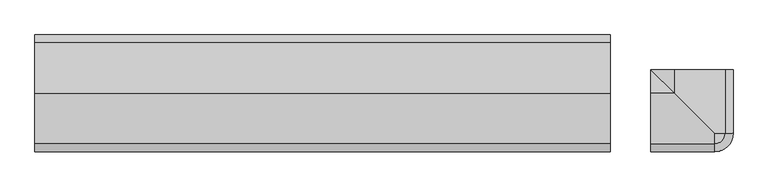
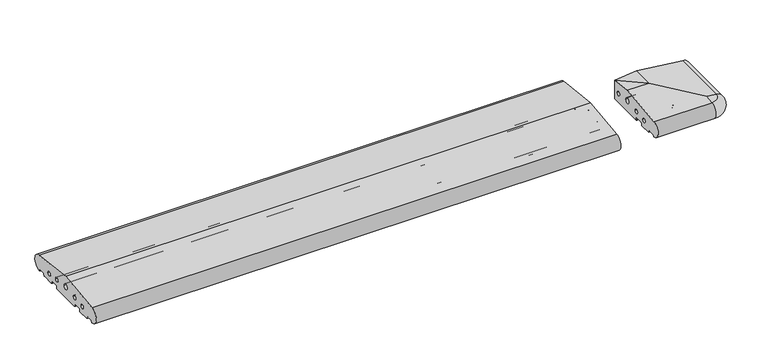
"""IFC4 building model written with IfcOpenShell, lengths in millimetres: proxy geometry."""

from ifc_helpers import new_model, si_unit, point, frame, frame_2d, origin, place, context, project, spatial, polyline, circle_curve, ellipse_curve, trimmed, segment, composite_curve, outline, extrude, source, transform, mapped, element, save
from ifc_brep_helpers import plane_surface, cylinder_surface, revolved_surface, advanced_brep


def generic_models_c52d4614(model_context):
    return source(origin(), model_context, "Body", "SolidModel", [
        advanced_brep(
        [(1687.0, -45.0, 0.0), (1687.0, -45.0, 59.0930149), (1752.0, -45.0, 66.8161089), (1890.0858073, -45.0, 50.4091909), (1888.5981483, -45.0, 2.5074549), (1887.7072001, -45.0, 3.0071443), (1885.6905989, -45.0, 6.5), (1883.9585481, -45.0, 7.5), (1867.4848276, -45.0, 7.5), (1865.7527767, -45.0, 6.5), (1862.0, -45.0, 0.0), (1826.5, -45.0, 0.0), (1825.5, -45.0, 1.0), (1825.5, -45.0, 7.0), (1823.5, -45.0, 9.0), (1800.5, -45.0, 9.0), (1798.5, -45.0, 7.0), (1798.5, -45.0, 1.0), (1797.5, -45.0, 0.0), (1844.220606, -45.0, 23.1932995), (1832.220606, -45.0, 23.1932995), (1804.5, -45.0, 27.912776), (1792.5, -45.0, 27.912776), (1759.9558517, -45.0, 33.3783502), (1744.0441483, -45.0, 33.3783502), (1711.5, -45.0, 27.912776), (1699.5, -45.0, 27.912776), (1797.5, -155.5, 0.0), (1687.0, -155.5, 0.0), (1798.5, -156.5, 1.0), (1798.5, -156.5, 7.0), (1800.5, -158.5, 9.0), (1823.5, -181.5, 9.0), (1687.0, -181.5, 9.0), (1687.0, -158.5, 9.0), (1825.5, -183.5, 7.0), (1825.5, -183.5, 1.0), (1826.5, -184.5, 0.0), (1862.0, -220.0, 0.0), (1687.0, -220.0, 0.0), (1687.0, -184.5, 0.0), (1752.0, -110.0, 66.8161089), (1862.0, -220.0, 53.7462575), (1890.0858073, -220.0, 50.4091909), (1832.220606, -190.220606, 23.1932995), (1838.220606, -196.220606, 17.1932995), (1844.220606, -202.220606, 23.1932995), (1838.220606, -196.220606, 29.1932995), (1792.5, -150.5, 27.912776), (1798.5, -156.5, 21.912776), (1804.5, -162.5, 27.912776), (1798.5, -156.5, 33.912776), (1744.0441483, -102.0441483, 33.3783502), (1752.0, -110.0, 25.4224985), (1759.9558517, -117.9558517, 33.3783502), (1752.0, -110.0, 41.3342019), (1699.5, -57.5, 27.912776), (1705.5, -63.5, 21.912776), (1711.5, -69.5, 27.912776), (1705.5, -63.5, 33.912776), (1687.0, -246.5981483, 2.5074549), (1687.0, -248.0858073, 50.4091909), (1687.0, -110.0, 66.8161089), (1687.0, -156.5, 1.0), (1687.0, -156.5, 7.0), (1687.0, -183.5, 7.0), (1687.0, -183.5, 1.0), (1687.0, -223.7527767, 6.5), (1687.0, -225.4848276, 7.5), (1687.0, -241.9585481, 7.5), (1687.0, -243.6905989, 6.5), (1687.0, -245.7072001, 3.0071443), (1687.0, -202.220606, 23.1932995), (1687.0, -190.220606, 23.1932995), (1687.0, -162.5, 27.912776), (1687.0, -150.5, 27.912776), (1687.0, -117.9558517, 33.3783502), (1687.0, -102.0441483, 33.3783502), (1687.0, -69.5, 27.912776), (1687.0, -57.5, 27.912776), (1888.5981483, -220.0, 2.5074549), (1887.7072001, -220.0, 3.0071443), (1885.6905989, -220.0, 6.5), (1883.9585481, -220.0, 7.5), (1867.4848276, -220.0, 7.5), (1865.7527767, -220.0, 6.5), (1862.0, -223.7527767, 6.5), (1862.0, -225.4848276, 7.5), (1862.0, -243.6905989, 6.5), (1862.0, -241.9585481, 7.5), (1862.0, -245.7072001, 3.0071443), (1862.0, -246.5981483, 2.5074549), (1862.0, -248.0858073, 50.4091909)],
        [
            (0, 1),
            (1, 2),
            (2, 3),
            (3, 4, circle_curve(frame((1888.0, -45.0, 26.5), z_axis=(0.0, 1.0, 0.0), x_axis=(0.08690863944627836, 0.0, 0.9962162859487877)), 24.0)),
            (4, 5, circle_curve(frame((1888.5732255, -45.0, 3.5071443), z_axis=(0.0, 1.0, 0.0), x_axis=(0.024922847684081085, 0.0, -0.999689377588517)), 1.0)),
            (5, 6),
            (6, 7, circle_curve(frame((1883.9585481, -45.0, 5.5), z_axis=(0.0, -1.0, 0.0), x_axis=(0.8660254037844379, 0.0, 0.5000000000000012)), 2.0)),
            (7, 8),
            (8, 9, circle_curve(frame((1867.4848276, -45.0, 5.5), z_axis=(0.0, -1.0, 0.0), x_axis=(0.0, 0.0, 1.0)), 2.0)),
            (9, 10),
            (10, 11),
            (11, 12, circle_curve(frame((1826.5, -45.0, 1.0), z_axis=(0.0, 1.0, 0.0), x_axis=(0.0, 0.0, -1.0)), 1.0)),
            (12, 13),
            (13, 14, circle_curve(frame((1823.5, -45.0, 7.0), z_axis=(0.0, -1.0, 0.0), x_axis=(1.0, 0.0, 0.0)), 2.0)),
            (14, 15),
            (15, 16, circle_curve(frame((1800.5, -45.0, 7.0), z_axis=(0.0, -1.0, 0.0), x_axis=(0.0, 0.0, 1.0)), 2.0)),
            (16, 17),
            (17, 18, circle_curve(frame((1797.5, -45.0, 1.0), z_axis=(0.0, 1.0, 0.0), x_axis=(1.0, 0.0, 0.0)), 1.0)),
            (18, 0),
            (19, 20, circle_curve(frame((1838.220606, -45.0, 23.1932995), z_axis=(0.0, -1.0, 0.0), x_axis=(-1.0, 0.0, 0.0)), 6.0)),
            (20, 19, circle_curve(frame((1838.220606, -45.0, 23.1932995), z_axis=(0.0, -1.0, 0.0), x_axis=(-1.0, 0.0, 0.0)), 6.0)),
            (21, 22, circle_curve(frame((1798.5, -45.0, 27.912776), z_axis=(0.0, -1.0, 0.0), x_axis=(-1.0, 0.0, 0.0)), 6.0)),
            (22, 21, circle_curve(frame((1798.5, -45.0, 27.912776), z_axis=(0.0, -1.0, 0.0), x_axis=(-1.0, 0.0, 0.0)), 6.0)),
            (23, 24, circle_curve(frame((1752.0, -45.0, 33.3783502), z_axis=(0.0, -1.0, 0.0), x_axis=(-1.0, 0.0, 0.0)), 7.9558517)),
            (24, 23, circle_curve(frame((1752.0, -45.0, 33.3783502), z_axis=(0.0, -1.0, 0.0), x_axis=(-1.0, 0.0, 0.0)), 7.9558517)),
            (25, 26, circle_curve(frame((1705.5, -45.0, 27.912776), z_axis=(0.0, -1.0, 0.0), x_axis=(-1.0, 0.0, 0.0)), 6.0)),
            (26, 25, circle_curve(frame((1705.5, -45.0, 27.912776), z_axis=(0.0, -1.0, 0.0), x_axis=(-1.0, 0.0, 0.0)), 6.0)),
            (18, 27),
            (27, 28),
            (28, 0),
            (17, 29),
            (29, 27, ellipse_curve(frame((1797.5, -155.5, 1.0), z_axis=(0.7071067811865446, 0.7071067811865505, 0.0), x_axis=(-0.7071067811865503, 0.7071067811865446, 0.0)), 1.4142136, 1.0)),
            (16, 30),
            (30, 29),
            (15, 31),
            (31, 30, ellipse_curve(frame((1800.5, -158.5, 7.0), z_axis=(-0.7071067811865446, -0.7071067811865505, 0.0), x_axis=(0.7071067811865503, -0.7071067811865446, 0.0)), 2.8284271, 2.0)),
            (14, 32),
            (32, 33),
            (33, 34),
            (34, 31),
            (13, 35),
            (35, 32, ellipse_curve(frame((1823.5, -181.5, 7.0), z_axis=(-0.7071067811865446, -0.7071067811865505, 0.0), x_axis=(0.7071067811865503, -0.7071067811865446, 0.0)), 2.8284271, 2.0)),
            (12, 36),
            (36, 35),
            (11, 37),
            (37, 36, ellipse_curve(frame((1826.5, -184.5, 1.0), z_axis=(0.7071067811865446, 0.7071067811865505, 0.0), x_axis=(-0.7071067811865503, 0.7071067811865446, 0.0)), 1.4142136, 1.0)),
            (10, 38),
            (38, 39),
            (39, 40),
            (40, 37),
            (41, 42),
            (42, 43),
            (43, 3),
            (2, 41),
            (1, 41),
            (20, 44),
            (44, 45, ellipse_curve(frame((1838.220606, -196.220606, 23.1932995), z_axis=(-0.7071067811865446, -0.7071067811865505, 0.0), x_axis=(0.7071067811865503, -0.7071067811865446, 0.0)), 8.4852814, 6.0)),
            (45, 46, ellipse_curve(frame((1838.220606, -196.220606, 23.1932995), z_axis=(-0.7071067811865446, -0.7071067811865505, 0.0), x_axis=(0.7071067811865503, -0.7071067811865446, 0.0)), 8.4852814, 6.0)),
            (46, 19),
            (46, 47, ellipse_curve(frame((1838.220606, -196.220606, 23.1932995), z_axis=(-0.7071067811865446, -0.7071067811865505, 0.0), x_axis=(0.7071067811865503, -0.7071067811865446, 0.0)), 8.4852814, 6.0)),
            (47, 44, ellipse_curve(frame((1838.220606, -196.220606, 23.1932995), z_axis=(-0.7071067811865446, -0.7071067811865505, 0.0), x_axis=(0.7071067811865503, -0.7071067811865446, 0.0)), 8.4852814, 6.0)),
            (22, 48),
            (48, 49, ellipse_curve(frame((1798.5, -156.5, 27.912776), z_axis=(-0.7071067811865446, -0.7071067811865505, 0.0), x_axis=(0.7071067811865503, -0.7071067811865446, 0.0)), 8.4852814, 6.0)),
            (49, 50, ellipse_curve(frame((1798.5, -156.5, 27.912776), z_axis=(-0.7071067811865446, -0.7071067811865505, 0.0), x_axis=(0.7071067811865503, -0.7071067811865446, 0.0)), 8.4852814, 6.0)),
            (50, 21),
            (50, 51, ellipse_curve(frame((1798.5, -156.5, 27.912776), z_axis=(-0.7071067811865446, -0.7071067811865505, 0.0), x_axis=(0.7071067811865503, -0.7071067811865446, 0.0)), 8.4852814, 6.0)),
            (51, 48, ellipse_curve(frame((1798.5, -156.5, 27.912776), z_axis=(-0.7071067811865446, -0.7071067811865505, 0.0), x_axis=(0.7071067811865503, -0.7071067811865446, 0.0)), 8.4852814, 6.0)),
            (24, 52),
            (52, 53, ellipse_curve(frame((1752.0, -110.0, 33.3783502), z_axis=(-0.7071067811865446, -0.7071067811865505, 0.0), x_axis=(0.7071067811865503, -0.7071067811865446, 0.0)), 11.2512734, 7.9558517)),
            (53, 54, ellipse_curve(frame((1752.0, -110.0, 33.3783502), z_axis=(-0.7071067811865446, -0.7071067811865505, 0.0), x_axis=(0.7071067811865503, -0.7071067811865446, 0.0)), 11.2512734, 7.9558517)),
            (54, 23),
            (54, 55, ellipse_curve(frame((1752.0, -110.0, 33.3783502), z_axis=(-0.7071067811865446, -0.7071067811865505, 0.0), x_axis=(0.7071067811865503, -0.7071067811865446, 0.0)), 11.2512734, 7.9558517)),
            (55, 52, ellipse_curve(frame((1752.0, -110.0, 33.3783502), z_axis=(-0.7071067811865446, -0.7071067811865505, 0.0), x_axis=(0.7071067811865503, -0.7071067811865446, 0.0)), 11.2512734, 7.9558517)),
            (26, 56),
            (56, 57, ellipse_curve(frame((1705.5, -63.5, 27.912776), z_axis=(-0.7071067811865446, -0.7071067811865505, 0.0), x_axis=(0.7071067811865503, -0.7071067811865446, 0.0)), 8.4852814, 6.0)),
            (57, 58, ellipse_curve(frame((1705.5, -63.5, 27.912776), z_axis=(-0.7071067811865446, -0.7071067811865505, 0.0), x_axis=(0.7071067811865503, -0.7071067811865446, 0.0)), 8.4852814, 6.0)),
            (58, 25),
            (58, 59, ellipse_curve(frame((1705.5, -63.5, 27.912776), z_axis=(-0.7071067811865446, -0.7071067811865505, 0.0), x_axis=(0.7071067811865503, -0.7071067811865446, 0.0)), 8.4852814, 6.0)),
            (59, 56, ellipse_curve(frame((1705.5, -63.5, 27.912776), z_axis=(-0.7071067811865446, -0.7071067811865505, 0.0), x_axis=(0.7071067811865503, -0.7071067811865446, 0.0)), 8.4852814, 6.0)),
            (60, 61, circle_curve(frame((1687.0, -246.0, 26.5), z_axis=(-1.0, 0.0, 0.0), x_axis=(0.0, -0.08690863944627836, 0.9962162859487877)), 24.0)),
            (61, 62),
            (62, 1),
            (28, 63, circle_curve(frame((1687.0, -155.5, 1.0), z_axis=(-1.0, 0.0, 0.0), x_axis=(0.0, -1.0, 0.0)), 1.0)),
            (63, 64),
            (64, 34, circle_curve(frame((1687.0, -158.5, 7.0), z_axis=(1.0, 0.0, 0.0), x_axis=(0.0, 0.0, 1.0)), 2.0)),
            (33, 65, circle_curve(frame((1687.0, -181.5, 7.0), z_axis=(1.0, 0.0, 0.0), x_axis=(0.0, -1.0, 0.0)), 2.0)),
            (65, 66),
            (66, 40, circle_curve(frame((1687.0, -184.5, 1.0), z_axis=(-1.0, 0.0, 0.0), x_axis=(0.0, 0.0, -1.0)), 1.0)),
            (39, 67),
            (67, 68, circle_curve(frame((1687.0, -225.4848276, 5.5), z_axis=(1.0, 0.0, 0.0), x_axis=(0.0, 0.0, 1.0)), 2.0)),
            (68, 69),
            (69, 70, circle_curve(frame((1687.0, -241.9585481, 5.5), z_axis=(1.0, 0.0, 0.0), x_axis=(0.0, -0.8660254037844379, 0.5000000000000012)), 2.0)),
            (70, 71),
            (71, 60, circle_curve(frame((1687.0, -246.5732255, 3.5071443), z_axis=(-1.0, 0.0, 0.0), x_axis=(0.0, -0.024922847684081085, -0.999689377588517)), 1.0)),
            (72, 73, circle_curve(frame((1687.0, -196.220606, 23.1932995), z_axis=(1.0, 0.0, 0.0), x_axis=(0.0, 1.0, 0.0)), 6.0)),
            (73, 72, circle_curve(frame((1687.0, -196.220606, 23.1932995), z_axis=(1.0, 0.0, 0.0), x_axis=(0.0, 1.0, 0.0)), 6.0)),
            (74, 75, circle_curve(frame((1687.0, -156.5, 27.912776), z_axis=(1.0, 0.0, 0.0), x_axis=(0.0, 1.0, 0.0)), 6.0)),
            (75, 74, circle_curve(frame((1687.0, -156.5, 27.912776), z_axis=(1.0, 0.0, 0.0), x_axis=(0.0, 1.0, 0.0)), 6.0)),
            (76, 77, circle_curve(frame((1687.0, -110.0, 33.3783502), z_axis=(1.0, 0.0, 0.0), x_axis=(0.0, 1.0, 0.0)), 7.9558517)),
            (77, 76, circle_curve(frame((1687.0, -110.0, 33.3783502), z_axis=(1.0, 0.0, 0.0), x_axis=(0.0, 1.0, 0.0)), 7.9558517)),
            (78, 79, circle_curve(frame((1687.0, -63.5, 27.912776), z_axis=(1.0, 0.0, 0.0), x_axis=(0.0, 1.0, 0.0)), 6.0)),
            (79, 78, circle_curve(frame((1687.0, -63.5, 27.912776), z_axis=(1.0, 0.0, 0.0), x_axis=(0.0, 1.0, 0.0)), 6.0)),
            (4, 80),
            (80, 81, circle_curve(frame((1888.5732255, -220.0, 3.5071443), z_axis=(0.0, 1.0, 0.0), x_axis=(0.024922847684081085, 0.0, -0.999689377588517)), 1.0)),
            (81, 5),
            (81, 82),
            (82, 6),
            (82, 83, circle_curve(frame((1883.9585481, -220.0, 5.5), z_axis=(0.0, -1.0, 0.0), x_axis=(0.8660254037844379, 0.0, 0.5000000000000012)), 2.0)),
            (83, 7),
            (8, 84),
            (84, 85, circle_curve(frame((1867.4848276, -220.0, 5.5), z_axis=(0.0, -1.0, 0.0), x_axis=(0.0, 0.0, 1.0)), 2.0)),
            (85, 9),
            (85, 38),
            (43, 80, circle_curve(frame((1888.0, -220.0, 26.5), z_axis=(0.0, 1.0, 0.0), x_axis=(0.08690863944627836, 0.0, 0.9962162859487877)), 24.0)),
            (86, 38),
            (85, 86, circle_curve(frame((1862.0, -220.0, 6.5), z_axis=(0.0, 0.0, -1.0), x_axis=(0.0, -1.0, 0.0)), 3.7527767)),
            (84, 87, circle_curve(frame((1862.0, -220.0, 7.5), z_axis=(0.0, 0.0, -1.0), x_axis=(0.0, -1.0, 0.0)), 5.4848276)),
            (87, 86, circle_curve(frame((1862.0, -225.4848276, 5.5), z_axis=(-1.0, 0.0, 0.0), x_axis=(0.0, 0.0, 1.0)), 2.0)),
            (82, 88, circle_curve(frame((1862.0, -220.0, 6.5), z_axis=(0.0, 0.0, -1.0), x_axis=(0.0, -1.0, 0.0)), 23.6905989)),
            (88, 89, circle_curve(frame((1862.0, -241.9585481, 5.5), z_axis=(-1.0, 0.0, 0.0), x_axis=(0.0, -0.8660254037844379, 0.5000000000000012)), 2.0)),
            (89, 83, circle_curve(frame((1862.0, -220.0, 7.5), z_axis=(0.0, 0.0, 1.0), x_axis=(0.0, -1.0, 0.0)), 21.9585481)),
            (81, 90, circle_curve(frame((1862.0, -220.0, 3.0071443), z_axis=(0.0, 0.0, -1.0), x_axis=(0.0, -1.0, 0.0)), 25.7072001)),
            (90, 88),
            (80, 91, circle_curve(frame((1862.0, -220.0, 2.5074549), z_axis=(0.0, 0.0, -1.0), x_axis=(0.0, -1.0, 0.0)), 26.5981483)),
            (91, 90, circle_curve(frame((1862.0, -246.5732255, 3.5071443), z_axis=(1.0000000000000002, 0.0, 0.0), x_axis=(0.0, -0.024922847684081085, -0.999689377588517)), 1.0)),
            (43, 92, circle_curve(frame((1862.0, -220.0, 50.4091909), z_axis=(0.0, 0.0, -1.0), x_axis=(0.0, -1.0, 0.0)), 28.0858073)),
            (92, 91, circle_curve(frame((1862.0, -246.0, 26.5), z_axis=(1.0, 0.0, 0.0), x_axis=(0.0, -0.08690863944627836, 0.9962162859487877)), 24.0)),
            (42, 92),
            (71, 90),
            (91, 60),
            (70, 88),
            (69, 89),
            (68, 87),
            (67, 86),
            (41, 62),
            (61, 92),
            (29, 63),
            (30, 64),
            (35, 65),
            (36, 66),
            (72, 46),
            (44, 73),
            (74, 50),
            (48, 75),
            (76, 54),
            (52, 77),
            (78, 58),
            (56, 79),
        ],
        [
            plane_surface(frame((1642.0, -45.0, 0.0), z_axis=(0.0, 1.0, 0.0), x_axis=(0.0, 0.0, 1.0))),
            plane_surface(frame((1687.0, -45.0, 0.0), z_axis=(0.0, 0.0, -1.0), x_axis=(0.0, -1.0, 0.0))),
            cylinder_surface(frame((1797.5, -45.0, 1.0), z_axis=(0.0, 1.0, 0.0), x_axis=(1.0, 0.0, 0.0)), 1.0),
            plane_surface(frame((1798.5, -45.0, 1.0), z_axis=(1.0, 0.0, 0.0), x_axis=(0.0, -1.0, 0.0))),
            revolved_surface(polyline([(1800.5, -160.49999998250178, 9.0), (1800.5, -45.0, 9.0)]), (1800.5, -45.0, 7.0), (0.0, -1.0, 0.0)),
            plane_surface(frame((1800.5, -45.0, 9.0), z_axis=(0.0, 0.0, -1.0), x_axis=(0.0, -1.0, 0.0))),
            revolved_surface(polyline([(1825.5, -183.5, 7.0), (1825.5, -45.0, 7.0)]), (1823.5, -45.0, 7.0), (0.0, -1.0, 0.0)),
            plane_surface(frame((1825.5, -45.0, 7.0), z_axis=(-1.0, 0.0, 0.0), x_axis=(0.0, -1.0, 0.0))),
            cylinder_surface(frame((1826.5, -45.0, 1.0), z_axis=(0.0, 1.0, 0.0), x_axis=(0.0, 0.0, -1.0)), 1.0),
            plane_surface(frame((1826.5, -45.0, 0.0), z_axis=(0.0, 0.0, -1.0), x_axis=(0.0, -1.0, 0.0))),
            plane_surface(frame((1862.0, -45.0, 53.7462575), z_axis=(0.11798691299107526, 0.0, 0.9930151501174777), x_axis=(0.0, -1.0, 0.0))),
            plane_surface(frame((1752.0, -45.0, 66.8161089), z_axis=(-0.11798691299107526, 0.0, 0.9930151501174777), x_axis=(0.0, -1.0, 0.0))),
            revolved_surface(polyline([(1832.220606, -202.22060601821607, 23.1932995), (1832.220606, -45.0, 23.1932995)]), (1838.220606, -45.0, 23.1932995), (0.0, -1.0, 0.0)),
            revolved_surface(polyline([(1792.5, -162.50000001821604, 27.912776), (1792.5, -45.0, 27.912776)]), (1798.5, -45.0, 27.912776), (0.0, -1.0, 0.0)),
            revolved_surface(polyline([(1744.0441483, -117.9558517181238, 33.3783502), (1744.0441483, -45.0, 33.3783502)]), (1752.0, -45.0, 33.3783502), (0.0, -1.0, 0.0)),
            revolved_surface(polyline([(1699.5, -69.50000001821606, 27.912776), (1699.5, -45.0, 27.912776)]), (1705.5, -45.0, 27.912776), (0.0, -1.0, 0.0)),
            plane_surface(frame((1687.0, -45.0, 59.0930149), z_axis=(-1.0, 0.0, 0.0), x_axis=(0.0, -1.0, 0.0))),
            cylinder_surface(frame((1888.5732255, -45.0, 3.5071443), z_axis=(0.0, 1.0000000000000002, 0.0), x_axis=(0.024922847684081085, 0.0, -0.999689377588517)), 1.0),
            plane_surface(frame((1885.6905989, -45.0, 6.5), z_axis=(-0.8660254037844368, 0.0, -0.5000000000000032), x_axis=(0.0, -1.0, 0.0))),
            revolved_surface(polyline([(1885.6905989075688, -220.0, 6.500000000000003), (1885.6905989075688, -45.0, 6.500000000000003)]), (1883.9585481, -45.0, 5.5), (0.0, -1.0, 0.0)),
            revolved_surface(polyline([(1867.4848276, -220.0, 7.5), (1867.4848276, -45.0, 7.5)]), (1867.4848276, -45.0, 5.5), (0.0, -1.0, 0.0)),
            plane_surface(frame((1862.0, -45.0, 0.0), z_axis=(0.8660254037844349, 0.0, -0.5000000000000064), x_axis=(0.0, -1.0, 0.0))),
            cylinder_surface(frame((1888.0, -45.0, 26.5), z_axis=(0.0, 1.0, 0.0), x_axis=(0.08690863944627836, 0.0, 0.9962162859487877)), 24.0),
            revolved_surface(polyline([(1862.0, -220.0, 0.0), (1862.0, -223.7527767, 6.5)]), (1862.0, -220.0, 12.5), (0.0, 0.0, 1.0)),
            revolved_surface(trimmed(ellipse_curve(frame((1862.0, -225.4848276, 5.5), z_axis=(1.0, 0.0, 0.0), x_axis=(0.0, 0.0, 1.0)), 2.0, 2.0), [point((1862.0, -223.7527767, 6.5))], [point((1862.0, -225.4848276, 7.5))], True, "CARTESIAN"), (1862.0, -220.0, 12.5), (0.0, 0.0, 1.0)),
            revolved_surface(trimmed(ellipse_curve(frame((1862.0, -241.9585481, 5.5), z_axis=(1.0, 0.0, 0.0), x_axis=(0.0, -0.8660254037844379, 0.5000000000000012)), 2.0, 2.0), [point((1862.0, -241.9585481, 7.5))], [point((1862.0, -243.6905989, 6.5))], True, "CARTESIAN"), (1862.0, -220.0, 12.5), (0.0, 0.0, 1.0)),
            revolved_surface(polyline([(1862.0, -243.6905989, 6.5), (1862.0, -245.7072001, 3.0071443)]), (1862.0, -220.0, 12.5), (0.0, 0.0, 1.0)),
            revolved_surface(trimmed(ellipse_curve(frame((1862.0, -246.5732255, 3.5071443), z_axis=(-1.0000000000000002, 0.0, 0.0), x_axis=(0.0, -0.024922847684081085, -0.999689377588517)), 1.0, 1.0), [point((1862.0, -245.7072001, 3.0071443))], [point((1862.0, -246.5981483, 2.5074549))], True, "CARTESIAN"), (1862.0, -220.0, 12.5), (0.0, 0.0, 1.0)),
            revolved_surface(trimmed(ellipse_curve(frame((1862.0, -246.0, 26.5), z_axis=(-1.0, 0.0, 0.0), x_axis=(0.0, -0.08690863944627836, 0.9962162859487877)), 24.0, 24.0), [point((1862.0, -246.5981483, 2.5074549))], [point((1862.0, -248.0858073, 50.4091909))], True, "CARTESIAN"), (1862.0, -220.0, 12.5), (0.0, 0.0, 1.0)),
            revolved_surface(polyline([(1862.0, -248.0858073, 50.4091909), (1862.0, -220.0, 53.7462575)]), (1862.0, -220.0, 12.5), (0.0, 0.0, 1.0)),
            cylinder_surface(frame((1687.0, -246.5732255, 3.5071443), z_axis=(-1.0000000000000002, 0.0, 0.0), x_axis=(0.0, -0.024922847684081085, -0.999689377588517)), 1.0),
            plane_surface(frame((1687.0, -245.7072001, 3.0071443), z_axis=(0.0, 0.8660254037844368, -0.5000000000000032), x_axis=(1.0, 0.0, 0.0))),
            revolved_surface(polyline([(1862.0, -243.69059890756887, 6.500000000000003), (1687.0, -243.69059890756887, 6.500000000000003)]), (1687.0, -241.9585481, 5.5), (1.0, 0.0, 0.0)),
            plane_surface(frame((1687.0, -241.9585481, 7.5), z_axis=(0.0, 0.0, -1.0), x_axis=(1.0, 0.0, 0.0))),
            revolved_surface(polyline([(1862.0, -225.4848276, 7.5), (1687.0, -225.4848276, 7.5)]), (1687.0, -225.4848276, 5.5), (1.0, 0.0, 0.0)),
            plane_surface(frame((1687.0, -223.7527767, 6.5), z_axis=(0.0, -0.8660254037844349, -0.5000000000000064), x_axis=(1.0, 0.0, 0.0))),
            plane_surface(frame((1687.0, -220.0, 53.7462575), z_axis=(0.0, -0.11798691299107526, 0.9930151501174777), x_axis=(1.0, 0.0, 0.0))),
            cylinder_surface(frame((1687.0, -246.0, 26.5), z_axis=(-1.0, 0.0, 0.0), x_axis=(0.0, -0.08690863944627836, 0.9962162859487877)), 24.0),
            cylinder_surface(frame((1862.0, -155.5, 1.0), z_axis=(1.0, 0.0, 0.0), x_axis=(0.0, -1.0, 0.0)), 1.0),
            plane_surface(frame((1862.0, -156.5, 1.0), z_axis=(0.0, -1.0, 0.0), x_axis=(-1.0, 0.0, 0.0))),
            revolved_surface(polyline([(1687.0, -158.5, 9.0), (1802.4999999825018, -158.5, 9.0)]), (1862.0, -158.5, 7.0), (-1.0, 0.0, 0.0)),
            revolved_surface(polyline([(1687.0, -183.5, 7.0), (1825.5, -183.5, 7.0)]), (1862.0, -181.5, 7.0), (-1.0, 0.0, 0.0)),
            plane_surface(frame((1862.0, -183.5, 7.0), z_axis=(0.0, 1.0, 0.0), x_axis=(-1.0, 0.0, 0.0))),
            cylinder_surface(frame((1862.0, -184.5, 1.0), z_axis=(1.0, 0.0, 0.0), x_axis=(0.0, 0.0, -1.0)), 1.0),
            plane_surface(frame((1862.0, -110.0, 66.8161089), z_axis=(0.0, 0.11798691299107526, 0.9930151501174777), x_axis=(-1.0, 0.0, 0.0))),
            revolved_surface(polyline([(1687.0, -190.220606, 23.1932995), (1844.2206060182161, -190.220606, 23.1932995)]), (1862.0, -196.220606, 23.1932995), (-1.0, 0.0, 0.0)),
            revolved_surface(polyline([(1687.0, -150.5, 27.912776), (1804.500000018216, -150.5, 27.912776)]), (1862.0, -156.5, 27.912776), (-1.0, 0.0, 0.0)),
            revolved_surface(polyline([(1687.0, -102.0441483, 33.3783502), (1759.9558517181238, -102.0441483, 33.3783502)]), (1862.0, -110.0, 33.3783502), (-1.0, 0.0, 0.0)),
            revolved_surface(polyline([(1687.0, -57.5, 27.912776), (1711.500000018216, -57.5, 27.912776)]), (1862.0, -63.5, 27.912776), (-1.0, 0.0, 0.0)),
        ],
        [
            (0, [[1, 2, 3, 4, 5, 6, 7, 8, 9, 10, 11, 12, 13, 14, 15, 16, 17, 18, 19], [20, 21], [22, 23], [24, 25], [26, 27]]),
            (1, [[28, 29, 30, -19]]),
            (2, [[31, 32, -28, -18]]),
            (3, [[33, 34, -31, -17]]),
            (4, [[35, 36, -33, -16]]),
            (5, [[37, 38, 39, 40, -35, -15]]),
            (6, [[41, 42, -37, -14]]),
            (7, [[43, 44, -41, -13]]),
            (8, [[45, 46, -43, -12]]),
            (9, [[47, 48, 49, 50, -45, -11]]),
            (10, [[51, 52, 53, -3, 54]]),
            (11, [[55, -54, -2]]),
            (12, [[56, 57, 58, 59, -21]]),
            (12, [[-59, 60, 61, -56, -20]]),
            (13, [[62, 63, 64, 65, -23]]),
            (13, [[-65, 66, 67, -62, -22]]),
            (14, [[68, 69, 70, 71, -25]]),
            (14, [[-71, 72, 73, -68, -24]]),
            (15, [[74, 75, 76, 77, -27]]),
            (15, [[-77, 78, 79, -74, -26]]),
            (16, [[80, 81, 82, -1, -30, 83, 84, 85, -39, 86, 87, 88, -49, 89, 90, 91, 92, 93, 94], [95, 96], [97, 98], [99, 100], [101, 102]]),
            (17, [[103, 104, 105, -5]]),
            (18, [[-105, 106, 107, -6]]),
            (19, [[-107, 108, 109, -7]]),
            (20, [[110, 111, 112, -9]]),
            (21, [[-112, 113, -47, -10]]),
            (22, [[-53, 114, -103, -4]]),
            (23, [[115, -113, 116]]),
            (24, [[-111, 117, 118, -116]]),
            (25, [[-108, 119, 120, 121]]),
            (26, [[-106, 122, 123, -119]]),
            (27, [[-104, 124, 125, -122]]),
            (28, [[-114, 126, 127, -124]]),
            (29, [[-52, 128, -126]]),
            (30, [[129, -125, 130, -94]]),
            (31, [[131, -123, -129, -93]]),
            (32, [[132, -120, -131, -92]]),
            (33, [[133, -117, -110, -8, -109, -121, -132, -91]]),
            (34, [[134, -118, -133, -90]]),
            (35, [[-48, -115, -134, -89]]),
            (36, [[-128, -51, 135, -81, 136]]),
            (37, [[-130, -127, -136, -80]]),
            (38, [[-29, -32, 137, -83]]),
            (39, [[-137, -34, 138, -84]]),
            (40, [[-138, -36, -40, -85]]),
            (41, [[-38, -42, 139, -86]]),
            (42, [[-139, -44, 140, -87]]),
            (43, [[-140, -46, -50, -88]]),
            (44, [[-135, -55, -82]]),
            (45, [[141, -58, -57, 142, -95]]),
            (45, [[-142, -61, -60, -141, -96]]),
            (46, [[143, -64, -63, 144, -97]]),
            (46, [[-144, -67, -66, -143, -98]]),
            (47, [[145, -70, -69, 146, -99]]),
            (47, [[-146, -73, -72, -145, -100]]),
            (48, [[147, -76, -75, 148, -101]]),
            (48, [[-148, -79, -78, -147, -102]]),
        ],
    ),
        extrude(outline(composite_curve([segment(trimmed(circle_curve(frame_2d((26.5732255, 3.5071443)), 1.0), [point((26.5981483, 2.5074549))], [point((25.7072001, 3.0071443))], False, "CARTESIAN"), True, "CONTINUOUS"), segment(polyline([(25.7072001, 3.0071443), (23.6905989, 6.5)]), True, "CONTINUOUS"), segment(trimmed(circle_curve(frame_2d((21.9585481, 5.5)), 2.0), [point((23.6905989, 6.5))], [point((21.9585481, 7.5))], True, "CARTESIAN"), True, "CONTINUOUS"), segment(polyline([(21.9585481, 7.5), (5.4848276, 7.5)]), True, "CONTINUOUS"), segment(trimmed(circle_curve(frame_2d((5.4848276, 5.5)), 2.0), [point((5.4848276, 7.5))], [point((3.7527767, 6.5))], True, "CARTESIAN"), True, "CONTINUOUS"), segment(polyline([(3.7527767, 6.5), (0.2886751, 0.5)]), True, "CONTINUOUS"), segment(trimmed(circle_curve(frame_2d((-0.5773503, 1.0)), 1.0), [point((0.2886751, 0.5))], [point((-0.5773503, 0.0))], False, "CARTESIAN"), True, "CONTINUOUS"), segment(polyline([(-0.5773503, 0.0), (-35.5, 0.0)]), True, "CONTINUOUS"), segment(trimmed(circle_curve(frame_2d((-35.5, 1.0)), 1.0), [point((-35.5, 0.0))], [point((-36.5, 1.0))], False, "CARTESIAN"), True, "CONTINUOUS"), segment(polyline([(-36.5, 1.0), (-36.5, 7.0)]), True, "CONTINUOUS"), segment(trimmed(circle_curve(frame_2d((-38.5, 7.0)), 2.0), [point((-36.5, 7.0))], [point((-38.5, 9.0))], True, "CARTESIAN"), True, "CONTINUOUS"), segment(polyline([(-38.5, 9.0), (-61.5, 9.0)]), True, "CONTINUOUS"), segment(trimmed(circle_curve(frame_2d((-61.5, 7.0)), 2.0), [point((-61.5, 9.0))], [point((-63.5, 7.0))], True, "CARTESIAN"), True, "CONTINUOUS"), segment(polyline([(-63.5, 7.0), (-63.5, 1.0)]), True, "CONTINUOUS"), segment(trimmed(circle_curve(frame_2d((-64.5, 1.0)), 1.0), [point((-63.5, 1.0))], [point((-64.5, 0.0))], False, "CARTESIAN"), True, "CONTINUOUS"), segment(polyline([(-64.5, 0.0), (-155.5, 0.0)]), True, "CONTINUOUS"), segment(trimmed(circle_curve(frame_2d((-155.5, 1.0)), 1.0), [point((-155.5, 0.0))], [point((-156.5, 1.0))], False, "CARTESIAN"), True, "CONTINUOUS"), segment(polyline([(-156.5, 1.0), (-156.5, 7.0)]), True, "CONTINUOUS"), segment(trimmed(circle_curve(frame_2d((-158.5, 7.0)), 2.0), [point((-156.5, 7.0))], [point((-158.5, 9.0))], True, "CARTESIAN"), True, "CONTINUOUS"), segment(polyline([(-158.5, 9.0), (-181.5, 9.0)]), True, "CONTINUOUS"), segment(trimmed(circle_curve(frame_2d((-181.5, 7.0)), 2.0), [point((-181.5, 9.0))], [point((-183.5, 7.0))], True, "CARTESIAN"), True, "CONTINUOUS"), segment(polyline([(-183.5, 7.0), (-183.5, 1.0)]), True, "CONTINUOUS"), segment(trimmed(circle_curve(frame_2d((-184.5, 1.0)), 1.0), [point((-183.5, 1.0))], [point((-184.5, 0.0))], False, "CARTESIAN"), True, "CONTINUOUS"), segment(polyline([(-184.5, 0.0), (-219.4226497, 0.0)]), True, "CONTINUOUS"), segment(trimmed(circle_curve(frame_2d((-219.4226497, 1.0)), 1.0), [point((-219.4226497, 0.0))], [point((-220.2886751, 0.5))], False, "CARTESIAN"), True, "CONTINUOUS"), segment(polyline([(-220.2886751, 0.5), (-223.7527767, 6.5)]), True, "CONTINUOUS"), segment(trimmed(circle_curve(frame_2d((-225.4848276, 5.5)), 2.0), [point((-223.7527767, 6.5))], [point((-225.4848276, 7.5))], True, "CARTESIAN"), True, "CONTINUOUS"), segment(polyline([(-225.4848276, 7.5), (-241.9585481, 7.5)]), True, "CONTINUOUS"), segment(trimmed(circle_curve(frame_2d((-241.9585481, 5.5)), 2.0), [point((-241.9585481, 7.5))], [point((-243.6905989, 6.5))], True, "CARTESIAN"), True, "CONTINUOUS"), segment(polyline([(-243.6905989, 6.5), (-245.7072001, 3.0071443)]), True, "CONTINUOUS"), segment(trimmed(circle_curve(frame_2d((-246.5732255, 3.5071443)), 1.0), [point((-245.7072001, 3.0071443))], [point((-246.5981483, 2.5074549))], False, "CARTESIAN"), True, "CONTINUOUS"), segment(trimmed(circle_curve(frame_2d((-246.0, 26.5)), 24.0), [point((-246.5981483, 2.5074549))], [point((-248.0858073, 50.4091909))], False, "CARTESIAN"), True, "CONTINUOUS"), segment(polyline([(-248.0858073, 50.4091909), (-110.0, 66.8161089), (28.0858073, 50.4091909)]), True, "CONTINUOUS"), segment(trimmed(circle_curve(frame_2d((26.0, 26.5)), 24.0), [point((28.0858073, 50.4091909))], [point((26.5981483, 2.5074549))], False, "CARTESIAN"), True, "CONTINUOUS")], self_intersect=False), holes=[composite_curve([segment(trimmed(circle_curve(frame_2d((-196.220606, 23.1932995)), 6.0), [point((-202.220606, 23.1932995))], [point((-190.220606, 23.1932995))], True, "CARTESIAN"), True, "CONTINUOUS"), segment(trimmed(circle_curve(frame_2d((-196.220606, 23.1932995)), 6.0), [point((-190.220606, 23.1932995))], [point((-202.220606, 23.1932995))], True, "CARTESIAN"), True, "CONTINUOUS")], self_intersect=False), composite_curve([segment(trimmed(circle_curve(frame_2d((-110.0, 33.3783502)), 7.9558517), [point((-117.9558517, 33.3783502))], [point((-102.0441483, 33.3783502))], True, "CARTESIAN"), True, "CONTINUOUS"), segment(trimmed(circle_curve(frame_2d((-110.0, 33.3783502)), 7.9558517), [point((-102.0441483, 33.3783502))], [point((-117.9558517, 33.3783502))], True, "CARTESIAN"), True, "CONTINUOUS")], self_intersect=False), composite_curve([segment(trimmed(circle_curve(frame_2d((-63.5, 27.912776)), 6.0), [point((-69.5, 27.912776))], [point((-57.5, 27.912776))], True, "CARTESIAN"), True, "CONTINUOUS"), segment(trimmed(circle_curve(frame_2d((-63.5, 27.912776)), 6.0), [point((-57.5, 27.912776))], [point((-69.5, 27.912776))], True, "CARTESIAN"), True, "CONTINUOUS")], self_intersect=False), composite_curve([segment(trimmed(circle_curve(frame_2d((-23.779394, 23.1932995)), 6.0), [point((-29.779394, 23.1932995))], [point((-17.779394, 23.1932995))], True, "CARTESIAN"), True, "CONTINUOUS"), segment(trimmed(circle_curve(frame_2d((-23.779394, 23.1932995)), 6.0), [point((-17.779394, 23.1932995))], [point((-29.779394, 23.1932995))], True, "CARTESIAN"), True, "CONTINUOUS")], self_intersect=False), composite_curve([segment(trimmed(circle_curve(frame_2d((-156.5, 27.912776)), 6.0), [point((-162.5, 27.912776))], [point((-150.5, 27.912776))], True, "CARTESIAN"), True, "CONTINUOUS"), segment(trimmed(circle_curve(frame_2d((-156.5, 27.912776)), 6.0), [point((-150.5, 27.912776))], [point((-162.5, 27.912776))], True, "CARTESIAN"), True, "CONTINUOUS")], self_intersect=False)]), frame((0.0, 0.0, 0.0), z_axis=(1.0, 0.0, 0.0), x_axis=(0.0, 1.0, 0.0)), (0.0, 0.0, 1.0), 1575.0),
    ])


if __name__ == "__main__":
    model = new_model("IFC4")
    model_context = context("Model", 3, world=origin())
    ifc_project = project(units=[si_unit("LENGTHUNIT", "METRE", prefix="MILLI")], contexts=[model_context])
    site = spatial("IfcSite", under=ifc_project)
    building = spatial("IfcBuilding", under=site)
    placement = place(None, origin())
    generic_models_shape = generic_models_c52d4614(model_context)
    element("IfcBuildingElementProxy", 1, Name="Generic Models", at=placement, inside=building, context=model_context, shape_type="MappedRepresentation", body=[
        mapped(generic_models_shape, transform((0.0, 0.0, 0.0), x_axis=(1.0, 0.0, 0.0), y_axis=(0.0, 1.0, 0.0), z_axis=(0.0, 0.0, 1.0))),
    ])
    save(model, "model.ifc")
